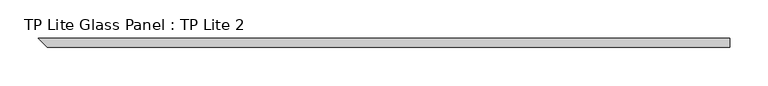
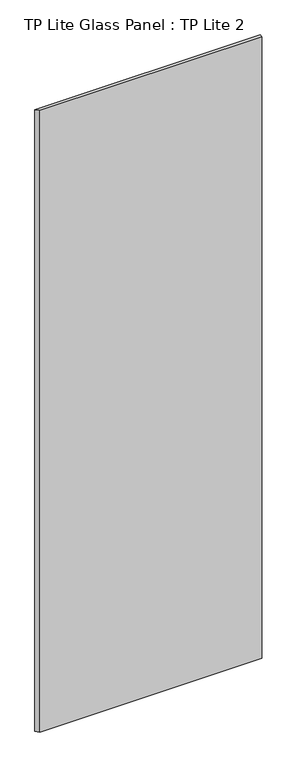
"""IFC4 building model written with IfcOpenShell, lengths in millimetres: plate geometry, TP Lite Glass Panel : TP Lite 2."""

from ifc_helpers import new_model, si_unit, origin, origin_with_axes, place, context, project, spatial, polyline, outline, extrude, source, transform, mapped, element, save


def tp_lite_glass_panel_tp_lite_2_5fee79d2(model_context):
    return source(origin(), model_context, "Body", "SweptSolid", [
        extrude(outline(polyline([(449.5, 6.0), (449.5, -6.0), (-443.5, -6.0), (-455.5, 6.0), (449.5, 6.0)])), origin_with_axes(), (0.0, 0.0, 1.0), 2640.0000015),
    ])


if __name__ == "__main__":
    model = new_model("IFC4")
    model_context = context("Model", 3, world=origin())
    ifc_project = project(units=[si_unit("LENGTHUNIT", "METRE", prefix="MILLI")], contexts=[model_context])
    site = spatial("IfcSite", under=ifc_project)
    building = spatial("IfcBuilding", under=site)
    placement = place(None, origin())
    tp_lite_glass_panel_tp_lite_2_shape = tp_lite_glass_panel_tp_lite_2_5fee79d2(model_context)
    element("IfcPlate", 1, ObjectType="TP Lite Glass Panel : TP Lite 2", at=placement, inside=building, context=model_context, shape_type="MappedRepresentation", body=[
        mapped(tp_lite_glass_panel_tp_lite_2_shape, transform((0.0, 0.0, 0.0), x_axis=(1.0, 0.0, 0.0), y_axis=(0.0, 1.0, 0.0), z_axis=(0.0, 0.0, 1.0))),
    ])
    save(model, "model.ifc")
